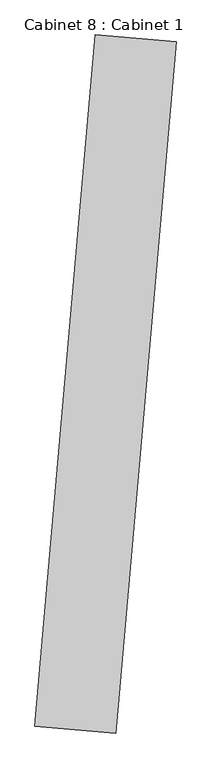
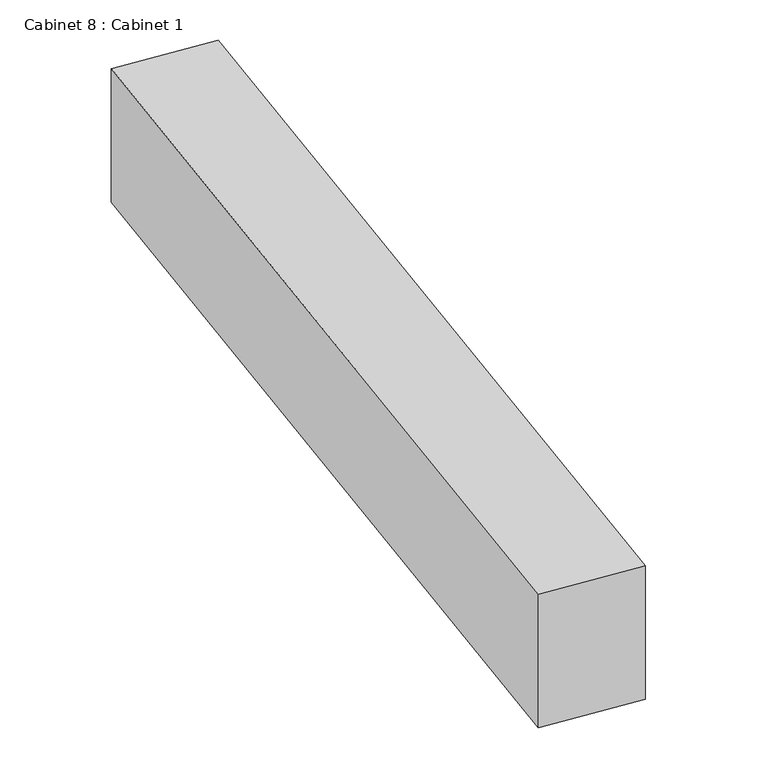
"""IFC4 building model written with IfcOpenShell, lengths in millimetres: furniture geometry, Cabinet 8 : Cabinet 1."""

from ifc_helpers import new_model, si_unit, origin, origin_with_axes, place, context, project, spatial, polyline, outline, extrude, source, transform, mapped, element, save


def cabinet_8_cabinet_1_2df81479(model_context):
    return source(origin(), model_context, "Body", "SweptSolid", [
        extrude(outline(polyline([(-54986.7726193, -31399.3880539), (-54493.6585002, -25763.0678813), (-53835.7715216, -25820.6255338), (-54328.8856407, -31456.9457064), (-54986.7726193, -31399.3880539)])), origin_with_axes(), (0.0, 0.0, 1.0), 914.4),
    ])


if __name__ == "__main__":
    model = new_model("IFC4")
    model_context = context("Model", 3, world=origin())
    ifc_project = project(units=[si_unit("LENGTHUNIT", "METRE", prefix="MILLI")], contexts=[model_context])
    site = spatial("IfcSite", under=ifc_project)
    building = spatial("IfcBuilding", under=site)
    placement = place(None, origin())
    cabinet_8_cabinet_1_shape = cabinet_8_cabinet_1_2df81479(model_context)
    element("IfcFurniture", 1, ObjectType="Cabinet 8 : Cabinet 1", at=placement, inside=building, context=model_context, shape_type="MappedRepresentation", body=[
        mapped(cabinet_8_cabinet_1_shape, transform((0.0, 0.0, 0.0), x_axis=(1.0, 0.0, 0.0), y_axis=(0.0, 1.0, 0.0), z_axis=(0.0, 0.0, 1.0))),
    ])
    save(model, "model.ifc")
